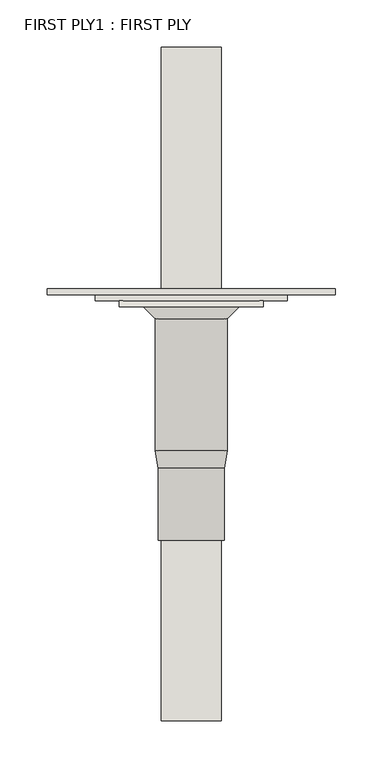
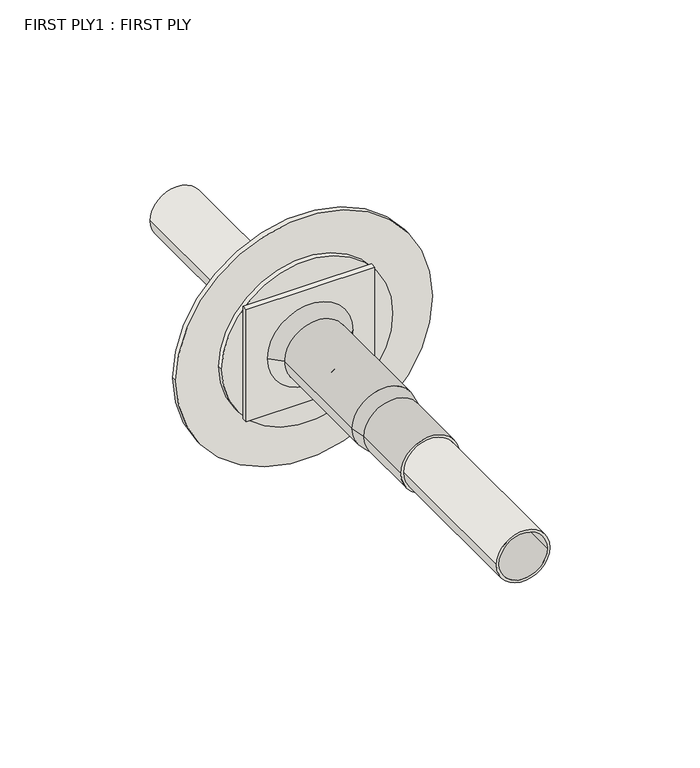
"""IFC4 building model written with IfcOpenShell, lengths in millimetres: wall geometry, FIRST PLY1 : FIRST PLY."""

from ifc_helpers import new_model, si_unit, point, frame, frame_2d, origin, place, context, project, spatial, polyline, circle_curve, trimmed, segment, composite_curve, outline, extrude, source, transform, mapped, element, save
from ifc_brep_helpers import plane_surface, cylinder_surface, revolved_surface, advanced_brep


def first_ply1_first_ply_9d150533(model_context):
    return source(origin(), model_context, "Body", "SolidModel", [
        advanced_brep(
        [(-910.857886, 4312.5724763, 858.3294783), (-834.657886, 4312.5724763, 858.3294783), (-834.657886, 4325.2724763, 858.3294783), (-910.857886, 4325.2724763, 858.3294783), (-923.557886, 4325.2724763, 858.3294783), (-821.957886, 4325.2724763, 858.3294783)],
        [
            (0, 1, circle_curve(frame((-872.757886, 4312.5724763, 858.3294783), z_axis=(0.0, -1.0, 0.0), x_axis=(1.0, 0.0, 0.0)), 38.1)),
            (1, 2),
            (2, 3, circle_curve(frame((-872.757886, 4325.2724763, 858.3294783), z_axis=(0.0, 1.0, 0.0), x_axis=(1.0, 0.0, 0.0)), 38.1)),
            (3, 0),
            (4, 5, circle_curve(frame((-872.757886, 4325.2724763, 858.3294783), z_axis=(0.0, -1.0, 0.0), x_axis=(1.0, 0.0, 0.0)), 50.8)),
            (5, 1),
            (0, 4),
            (4, 5, circle_curve(frame((-872.757886, 4325.2724763, 858.3294783), z_axis=(0.0, 1.0, 0.0), x_axis=(-1.0, 0.0, 0.0)), 50.8)),
            (2, 3, circle_curve(frame((-872.757886, 4325.2724763, 858.3294783), z_axis=(0.0, -1.0, 0.0), x_axis=(-1.0, 0.0, 0.0)), 38.1)),
            (1, 0, circle_curve(frame((-872.757886, 4312.5724763, 858.3294783), z_axis=(0.0, -1.0, 0.0), x_axis=(-1.0, 0.0, 0.0)), 38.1)),
        ],
        [
            revolved_surface(polyline([(-834.657886, 4325.2724763, 858.3294783), (-834.657886, 4312.5724763, 858.3294783)]), (-872.757886, 4299.8724763, 858.3294783), (0.0, 1.0, 0.0)),
            revolved_surface(polyline([(-834.657886, 4312.5724763, 858.3294783), (-821.957886, 4325.2724763, 858.3294783)]), (-872.757886, 4299.8724763, 858.3294783), (0.0, 1.0, 0.0)),
            plane_surface(frame((-872.757886, 4325.2724763, 858.3294783), z_axis=(0.0, 1.0, 0.0), x_axis=(-1.0, 0.0, 0.0))),
            revolved_surface(polyline([(-910.857886, 4325.2724763, 858.3294783), (-910.857886, 4312.5724763, 858.3294783)]), (-872.757886, 4299.8724763, 858.3294783), (0.0, 1.0, 0.0)),
            revolved_surface(polyline([(-910.857886, 4312.5724763, 858.3294783), (-923.557886, 4325.2724763, 858.3294783)]), (-872.757886, 4299.8724763, 858.3294783), (0.0, 1.0, 0.0)),
        ],
        [
            (0, [[1, 2, 3, 4]]),
            (1, [[5, 6, -1, 7]]),
            (2, [[8, -5], [9, -3]]),
            (3, [[10, -4, -9, -2]]),
            (4, [[-8, -7, -10, -6]]),
        ],
    ),
        advanced_brep(
        [(-907.575326, 4154.2561535, 858.3294783), (-837.940446, 4154.2561535, 858.3294783), (-837.940446, 4078.0561535, 858.3294783), (-907.575326, 4078.0561535, 858.3294783), (-910.857886, 4172.8724763, 858.3294783), (-834.657886, 4172.8724763, 858.3294783), (-910.857886, 4325.2724763, 858.3294783), (-834.657886, 4325.2724763, 858.3294783), (-907.682886, 4173.1502528, 858.3294783), (-837.832886, 4173.1502528, 858.3294783), (-837.832886, 4325.2724763, 858.3294783), (-907.682886, 4325.2724763, 858.3294783), (-904.400326, 4154.53393, 858.3294783), (-841.115446, 4154.53393, 858.3294783), (-904.400326, 4078.0561535, 858.3294783), (-841.115446, 4078.0561535, 858.3294783)],
        [
            (0, 1, circle_curve(frame((-872.757886, 4154.2561535, 858.3294783), z_axis=(0.0, -1.0, 0.0), x_axis=(1.0, 0.0, 0.0)), 34.81744)),
            (1, 2),
            (2, 3, circle_curve(frame((-872.757886, 4078.0561535, 858.3294783), z_axis=(0.0, 1.0, 0.0), x_axis=(1.0, 0.0, 0.0)), 34.81744)),
            (3, 0),
            (4, 5, circle_curve(frame((-872.757886, 4172.8724763, 858.3294783), z_axis=(0.0, -1.0, 0.0), x_axis=(1.0, 0.0, 0.0)), 38.1)),
            (5, 1),
            (0, 4),
            (6, 7, circle_curve(frame((-872.757886, 4325.2724763, 858.3294783), z_axis=(0.0, -1.0, 0.0), x_axis=(1.0, 0.0, 0.0)), 38.1)),
            (7, 5),
            (4, 6),
            (8, 9, circle_curve(frame((-872.757886, 4173.1502528, 858.3294783), z_axis=(0.0, -1.0, 0.0), x_axis=(1.0, 0.0, 0.0)), 34.925)),
            (9, 10),
            (10, 11, circle_curve(frame((-872.757886, 4325.2724763, 858.3294783), z_axis=(0.0, 1.0, 0.0), x_axis=(1.0, 0.0, 0.0)), 34.925)),
            (11, 8),
            (12, 13, circle_curve(frame((-872.757886, 4154.53393, 858.3294783), z_axis=(0.0, -1.0, 0.0), x_axis=(1.0, 0.0, 0.0)), 31.64244)),
            (13, 9),
            (8, 12),
            (14, 15, circle_curve(frame((-872.757886, 4078.0561535, 858.3294783), z_axis=(0.0, -1.0, 0.0), x_axis=(1.0, 0.0, 0.0)), 31.64244)),
            (15, 13),
            (12, 14),
            (2, 3, circle_curve(frame((-872.757886, 4078.0561535, 858.3294783), z_axis=(0.0, -1.0, 0.0), x_axis=(-1.0, 0.0, 0.0)), 34.81744)),
            (14, 15, circle_curve(frame((-872.757886, 4078.0561535, 858.3294783), z_axis=(0.0, 1.0, 0.0), x_axis=(-1.0, 0.0, 0.0)), 31.64244)),
            (1, 0, circle_curve(frame((-872.757886, 4154.2561535, 858.3294783), z_axis=(0.0, -1.0, 0.0), x_axis=(-1.0, 0.0, 0.0)), 34.81744)),
            (5, 4, circle_curve(frame((-872.757886, 4172.8724763, 858.3294783), z_axis=(0.0, -1.0, 0.0), x_axis=(-1.0, 0.0, 0.0)), 38.1)),
            (7, 6, circle_curve(frame((-872.757886, 4325.2724763, 858.3294783), z_axis=(0.0, -1.0, 0.0), x_axis=(-1.0, 0.0, 0.0)), 38.1)),
            (10, 11, circle_curve(frame((-872.757886, 4325.2724763, 858.3294783), z_axis=(0.0, -1.0, 0.0), x_axis=(-1.0, 0.0, 0.0)), 34.925)),
            (9, 8, circle_curve(frame((-872.757886, 4173.1502528, 858.3294783), z_axis=(0.0, -1.0, 0.0), x_axis=(-1.0, 0.0, 0.0)), 34.925)),
            (13, 12, circle_curve(frame((-872.757886, 4154.53393, 858.3294783), z_axis=(0.0, -1.0, 0.0), x_axis=(-1.0, 0.0, 0.0)), 31.64244)),
        ],
        [
            cylinder_surface(frame((-872.757886, 4325.2724763, 858.3294783), z_axis=(0.0, 1.0, 0.0), x_axis=(1.0, 0.0, 0.0)), 34.81744),
            revolved_surface(polyline([(-837.940446, 4154.2561535, 858.3294783), (-834.657886, 4172.8724763, 858.3294783)]), (-872.757886, 4325.2724763, 858.3294783), (0.0, 1.0, 0.0)),
            cylinder_surface(frame((-872.757886, 4325.2724763, 858.3294783), z_axis=(0.0, 1.0, 0.0), x_axis=(1.0, 0.0, 0.0)), 38.1),
            revolved_surface(polyline([(-837.832886, 4325.2724763, 858.3294783), (-837.832886, 4173.1502528, 858.3294783)]), (-872.757886, 4325.2724763, 858.3294783), (0.0, 1.0, 0.0)),
            revolved_surface(polyline([(-837.832886, 4173.1502528, 858.3294783), (-841.115446, 4154.53393, 858.3294783)]), (-872.757886, 4325.2724763, 858.3294783), (0.0, 1.0, 0.0)),
            revolved_surface(polyline([(-841.115446, 4154.53393, 858.3294783), (-841.115446, 4078.0561535, 858.3294783)]), (-872.757886, 4325.2724763, 858.3294783), (0.0, 1.0, 0.0)),
            plane_surface(frame((-872.757886, 4078.0561535, 858.3294783), z_axis=(0.0, -1.0, 0.0), x_axis=(-1.0, 0.0, 0.0))),
            cylinder_surface(frame((-872.757886, 4325.2724763, 858.3294783), z_axis=(0.0, 1.0, 0.0), x_axis=(-1.0, 0.0, 0.0)), 34.81744),
            revolved_surface(polyline([(-907.575326, 4154.2561535, 858.3294783), (-910.857886, 4172.8724763, 858.3294783)]), (-872.757886, 4325.2724763, 858.3294783), (0.0, 1.0, 0.0)),
            cylinder_surface(frame((-872.757886, 4325.2724763, 858.3294783), z_axis=(0.0, 1.0, 0.0), x_axis=(-1.0, 0.0, 0.0)), 38.1),
            plane_surface(frame((-872.757886, 4325.2724763, 858.3294783), z_axis=(0.0, 1.0, 0.0), x_axis=(-1.0, 0.0, 0.0))),
            revolved_surface(polyline([(-907.6828859999999, 4325.2724763, 858.3294783), (-907.6828859999999, 4173.1502528, 858.3294783)]), (-872.757886, 4325.2724763, 858.3294783), (0.0, 1.0, 0.0)),
            revolved_surface(polyline([(-907.682886, 4173.1502528, 858.3294783), (-904.400326, 4154.53393, 858.3294783)]), (-872.757886, 4325.2724763, 858.3294783), (0.0, 1.0, 0.0)),
            revolved_surface(polyline([(-904.400326, 4154.53393, 858.3294783), (-904.400326, 4078.0561535, 858.3294783)]), (-872.757886, 4325.2724763, 858.3294783), (0.0, 1.0, 0.0)),
        ],
        [
            (0, [[1, 2, 3, 4]]),
            (1, [[5, 6, -1, 7]]),
            (2, [[8, 9, -5, 10]]),
            (3, [[11, 12, 13, 14]]),
            (4, [[15, 16, -11, 17]]),
            (5, [[18, 19, -15, 20]]),
            (6, [[21, -3], [22, -18]]),
            (7, [[23, -4, -21, -2]]),
            (8, [[24, -7, -23, -6]]),
            (9, [[25, -10, -24, -9]]),
            (10, [[-25, -8], [26, -13]]),
            (11, [[27, -14, -26, -12]]),
            (12, [[28, -17, -27, -16]]),
            (13, [[-22, -20, -28, -19]]),
        ],
    ),
        extrude(outline(composite_curve([segment(trimmed(circle_curve(frame_2d((858.3294783, -872.757886)), 31.75), [point((858.3294783, -904.507886))], [point((858.3294783, -841.007886))], False, "CARTESIAN"), True, "CONTINUOUS"), segment(trimmed(circle_curve(frame_2d((858.3294783, -872.757886)), 31.75), [point((858.3294783, -841.007886))], [point((858.3294783, -904.507886))], False, "CARTESIAN"), True, "CONTINUOUS")], self_intersect=False), holes=[composite_curve([segment(trimmed(circle_curve(frame_2d((858.3294783, -872.757886)), 28.575), [point((858.3294783, -901.332886))], [point((858.3294783, -844.182886))], True, "CARTESIAN"), True, "CONTINUOUS"), segment(trimmed(circle_curve(frame_2d((858.3294783, -872.757886)), 28.575), [point((858.3294783, -844.182886))], [point((858.3294783, -901.332886))], True, "CARTESIAN"), True, "CONTINUOUS")], self_intersect=False)]), frame((0.0, 3887.1224763, 0.0), z_axis=(0.0, 1.0, 0.0), x_axis=(0.0, 0.0, 1.0)), (0.0, 0.0, 1.0), 712.7080341),
        extrude(outline(polyline([(928.9081509, -796.557886), (928.9081509, -948.957886), (787.7508058, -948.957886), (787.7508058, -796.557886), (928.9081509, -796.557886)]), holes=[composite_curve([segment(trimmed(circle_curve(frame_2d((858.3294783, -872.757886)), 38.1), [point((858.3294783, -910.857886))], [point((858.3294783, -834.657886))], True, "CARTESIAN"), True, "CONTINUOUS"), segment(trimmed(circle_curve(frame_2d((858.3294783, -872.757886)), 38.1), [point((858.3294783, -834.657886))], [point((858.3294783, -910.857886))], True, "CARTESIAN"), True, "CONTINUOUS")], self_intersect=False)]), frame((0.0, 4325.2724763, 0.0), z_axis=(0.0, 1.0, 0.0), x_axis=(0.0, 0.0, 1.0)), (0.0, 0.0, 1.0), 6.35),
        extrude(outline(composite_curve([segment(trimmed(circle_curve(frame_2d((858.3294783, -872.757886)), 101.6), [point((858.3294783, -974.357886))], [point((858.3294783, -771.157886))], False, "CARTESIAN"), True, "CONTINUOUS"), segment(trimmed(circle_curve(frame_2d((858.3294783, -872.757886)), 101.6), [point((858.3294783, -771.157886))], [point((858.3294783, -974.357886))], False, "CARTESIAN"), True, "CONTINUOUS")], self_intersect=False), holes=[composite_curve([segment(trimmed(circle_curve(frame_2d((858.3294783, -872.757886)), 38.1), [point((858.3294783, -910.857886))], [point((858.3294783, -834.657886))], True, "CARTESIAN"), True, "CONTINUOUS"), segment(trimmed(circle_curve(frame_2d((858.3294783, -872.757886)), 38.1), [point((858.3294783, -834.657886))], [point((858.3294783, -910.857886))], True, "CARTESIAN"), True, "CONTINUOUS")], self_intersect=False)]), frame((0.0, 4331.6224763, 0.0), z_axis=(0.0, 1.0, 0.0), x_axis=(0.0, 0.0, 1.0)), (0.0, 0.0, 1.0), 6.35),
        extrude(outline(composite_curve([segment(trimmed(circle_curve(frame_2d((858.3294783, -872.757886)), 152.4), [point((858.3294783, -1025.157886))], [point((858.3294783, -720.357886))], False, "CARTESIAN"), True, "CONTINUOUS"), segment(trimmed(circle_curve(frame_2d((858.3294783, -872.757886)), 152.4), [point((858.3294783, -720.357886))], [point((858.3294783, -1025.157886))], False, "CARTESIAN"), True, "CONTINUOUS")], self_intersect=False), holes=[composite_curve([segment(trimmed(circle_curve(frame_2d((858.3294783, -872.757886)), 38.1), [point((858.3294783, -910.857886))], [point((858.3294783, -834.657886))], True, "CARTESIAN"), True, "CONTINUOUS"), segment(trimmed(circle_curve(frame_2d((858.3294783, -872.757886)), 38.1), [point((858.3294783, -834.657886))], [point((858.3294783, -910.857886))], True, "CARTESIAN"), True, "CONTINUOUS")], self_intersect=False)]), frame((0.0, 4337.9724763, 0.0), z_axis=(0.0, 1.0, 0.0), x_axis=(0.0, 0.0, 1.0)), (0.0, 0.0, 1.0), 6.35),
    ])


if __name__ == "__main__":
    model = new_model("IFC4")
    model_context = context("Model", 3, world=origin())
    ifc_project = project(units=[si_unit("LENGTHUNIT", "METRE", prefix="MILLI")], contexts=[model_context])
    site = spatial("IfcSite", under=ifc_project)
    building = spatial("IfcBuilding", under=site)
    placement = place(None, origin())
    first_ply1_first_ply_shape = first_ply1_first_ply_9d150533(model_context)
    element("IfcWall", 1, ObjectType="FIRST PLY1 : FIRST PLY", at=placement, inside=building, context=model_context, shape_type="MappedRepresentation", body=[
        mapped(first_ply1_first_ply_shape, transform((0.0, 0.0, 0.0), x_axis=(1.0, 0.0, 0.0), y_axis=(0.0, 1.0, 0.0), z_axis=(0.0, 0.0, 1.0))),
    ])
    save(model, "model.ifc")
